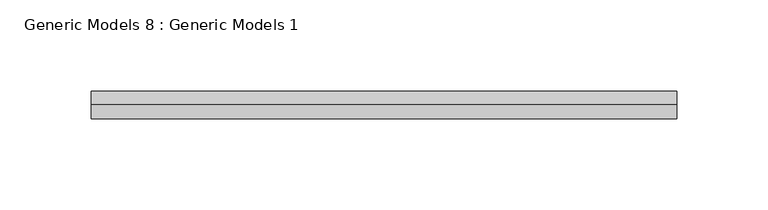
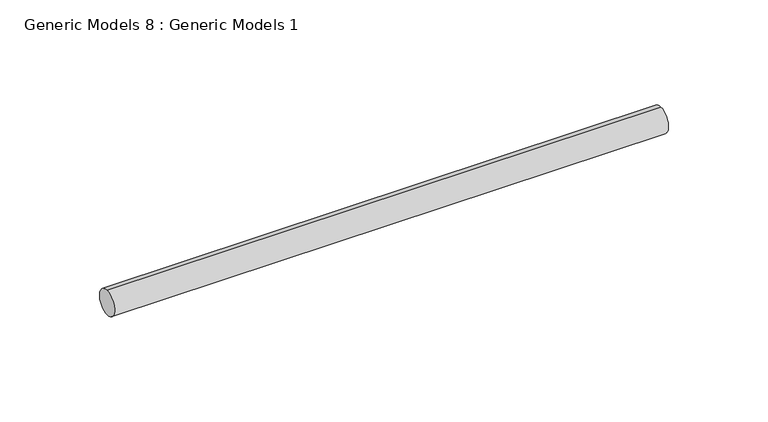
"""IFC4 building model written with IfcOpenShell, lengths in millimetres: proxy geometry, Generic Models 8 : Generic Models 1."""

from ifc_helpers import new_model, si_unit, point, frame, frame_2d, origin, place, context, project, spatial, circle_curve, trimmed, segment, composite_curve, outline, extrude, source, transform, mapped, element, save


def generic_models_8_generic_models_1_674583c9(model_context):
    return source(origin(), model_context, "Body", "SweptSolid", [
        extrude(outline(composite_curve([segment(trimmed(circle_curve(frame_2d((400.3057469, -818.1141294)), 7.5), [point((400.3057469, -825.6141294))], [point((400.3057469, -810.6141294))], False, "CARTESIAN"), True, "CONTINUOUS"), segment(trimmed(circle_curve(frame_2d((400.3057469, -818.1141294)), 7.5), [point((400.3057469, -810.6141294))], [point((400.3057469, -825.6141294))], False, "CARTESIAN"), True, "CONTINUOUS")], self_intersect=False)), frame((3579.8952449, 0.0, 0.0), z_axis=(1.0, 0.0, 0.0), x_axis=(0.0, 1.0, 0.0)), (0.0, 0.0, 1.0), 321.0),
    ])


if __name__ == "__main__":
    model = new_model("IFC4")
    model_context = context("Model", 3, world=origin())
    ifc_project = project(units=[si_unit("LENGTHUNIT", "METRE", prefix="MILLI")], contexts=[model_context])
    site = spatial("IfcSite", under=ifc_project)
    building = spatial("IfcBuilding", under=site)
    placement = place(None, origin())
    generic_models_8_generic_models_1_shape = generic_models_8_generic_models_1_674583c9(model_context)
    element("IfcBuildingElementProxy", 1, Name="Generic Models 8 : Generic Models 1", ObjectType="Generic Models 8 : Generic Models 1", at=placement, inside=building, context=model_context, shape_type="MappedRepresentation", body=[
        mapped(generic_models_8_generic_models_1_shape, transform((0.0, 0.0, 0.0), x_axis=(1.0, 0.0, 0.0), y_axis=(0.0, 1.0, 0.0), z_axis=(0.0, 0.0, 1.0))),
    ])
    save(model, "model.ifc")
